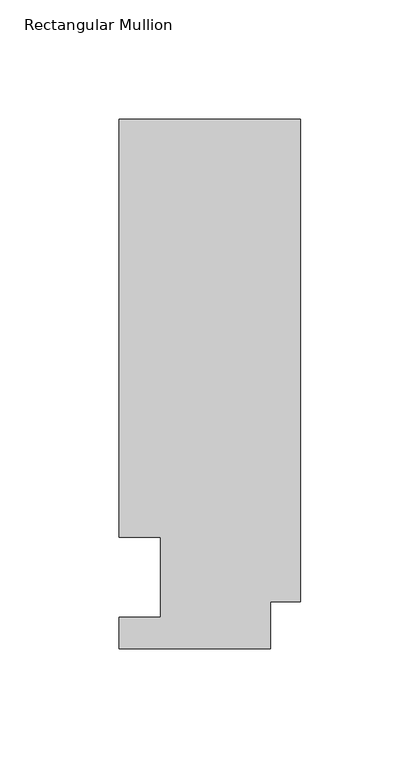
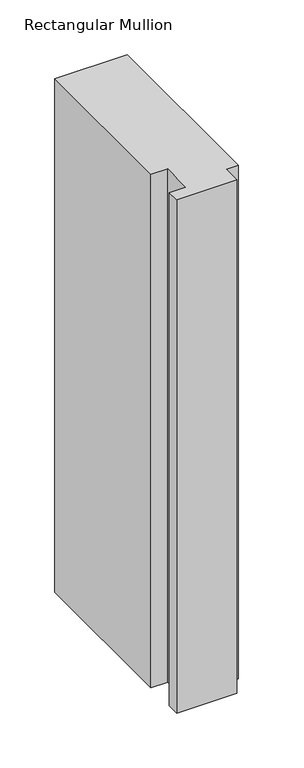
"""IFC4 building model written with IfcOpenShell, lengths in millimetres: member geometry, Rectangular Mullion."""

import ifcopenshell
import ifcopenshell.guid

model = None  # the IFC model being written
_history = None  # IfcOwnerHistory: only IFC2X3 demands one
_inside = {}  # id of a spatial element -> (the spatial element, [elements in it])
_under = {}  # id of a project, library or spatial element -> (it, [spatial elements below it])
_declared = {}  # id of a project -> (the project, [libraries it declares])
_typed = {}  # id of a type object -> (the type object, [elements of that type])
_made_of = {}  # id of a material, layer set ... -> (it, [elements and type objects made of it])


def new_model(schema):
    """Start an empty IFC model of exactly this schema.

    Asked for "IFC4X3", IfcOpenShell would pick the latest addendum, in which some entities
    have other attributes; the version numbers below select the first issue.
    IFC2X3 requires an IfcOwnerHistory on every rooted entity: one is made here for all.
    """
    global model, _history
    if schema == "IFC4X3":
        model = ifcopenshell.file(schema_version=(4, 3, 0, 0))
    else:
        model = ifcopenshell.file(schema=schema)
    _inside.clear()
    _under.clear()
    _declared.clear()
    _typed.clear()
    _made_of.clear()
    _history = None
    if model.schema == "IFC2X3":
        org = make("IfcOrganization", Name="unknown")
        user = make(
            "IfcPersonAndOrganization",
            ThePerson=make("IfcPerson", FamilyName="unknown"),
            TheOrganization=org,
        )
        app = make(
            "IfcApplication",
            ApplicationDeveloper=org,
            Version="unknown",
            ApplicationFullName="unknown",
            ApplicationIdentifier="unknown",
        )
        _history = make(
            "IfcOwnerHistory",
            OwningUser=user,
            OwningApplication=app,
            ChangeAction="ADDED",
            CreationDate=0,
        )
    return model


def make(cls, **values):
    """One entity of the class cls with the attributes given. An attribute that is None is left unset."""
    return model.create_entity(
        cls, **{name: value for name, value in values.items() if value is not None}
    )


def rooted(cls, **values):
    """An entity with a GlobalId (a new one), such as an element, a storey or a relation."""
    return make(cls, GlobalId=ifcopenshell.guid.new(), OwnerHistory=_history, **values)


def si_unit(unit_type, name, prefix=None):
    """IfcSIUnit, for example si_unit("LENGTHUNIT", "METRE", prefix="MILLI")."""
    return make("IfcSIUnit", UnitType=unit_type, Prefix=prefix, Name=name)


def assignment(units):
    """IfcUnitAssignment: the units of a project."""
    return None if units is None else make("IfcUnitAssignment", Units=units)


def point(xyz):
    """IfcCartesianPoint."""
    return None if xyz is None else make("IfcCartesianPoint", Coordinates=xyz)


def direction(xyz):
    """IfcDirection."""
    return None if xyz is None else make("IfcDirection", DirectionRatios=xyz)


def frame(location, z_axis=None, x_axis=None):
    """IfcAxis2Placement3D, a coordinate frame: its origin and axes. An axis left out is left unset."""
    return make(
        "IfcAxis2Placement3D",
        Location=point(location),
        Axis=direction(z_axis),
        RefDirection=direction(x_axis),
    )


def origin():
    """The frame at (0, 0, 0) with its axes left unset."""
    return frame((0.0, 0.0, 0.0))


def place(relative_to, where):
    """IfcLocalPlacement: puts the frame where relative to a parent placement (None: the world)."""
    return make(
        "IfcLocalPlacement", PlacementRelTo=relative_to, RelativePlacement=where
    )


def context(
    kind, dimensions, precision=None, world=None, true_north=None, identifier=None
):
    """IfcGeometricRepresentationContext, for example the 3D "Model" context."""
    return make(
        "IfcGeometricRepresentationContext",
        ContextIdentifier=identifier,
        ContextType=kind,
        CoordinateSpaceDimension=dimensions,
        Precision=precision,
        WorldCoordinateSystem=world,
        TrueNorth=true_north,
    )


def project(units=None, contexts=None):
    """IfcProject with its units and contexts."""
    return rooted(
        "IfcProject",
        Name="project",
        RepresentationContexts=contexts,
        UnitsInContext=assignment(units),
    )


def spatial(cls, under=None, at=None, **own):
    """A site, building, storey or space (cls), placed at a placement, below another one or the project."""
    s = rooted(cls, ObjectPlacement=at, **own)
    if under is not None:
        _under.setdefault(under.id(), (under, []))[1].append(s)
    return s


def polyline(points):
    """IfcPolyline through the points."""
    return make("IfcPolyline", Points=[point(p) for p in points])


def outline(outer, holes=None, kind="AREA"):
    """IfcArbitraryClosedProfileDef: a profile drawn as a closed curve; with holes, ...WithVoids."""
    if holes is None:
        return make("IfcArbitraryClosedProfileDef", ProfileType=kind, OuterCurve=outer)
    return make(
        "IfcArbitraryProfileDefWithVoids",
        ProfileType=kind,
        OuterCurve=outer,
        InnerCurves=holes,
    )


def extrude(swept, where, along, depth):
    """IfcExtrudedAreaSolid: the profile swept, set in the frame where, extruded along a direction by depth."""
    return make(
        "IfcExtrudedAreaSolid",
        SweptArea=swept,
        Position=where,
        ExtrudedDirection=direction(along),
        Depth=depth,
    )


def shape(context_of_items, identifier, shape_type, items):
    """IfcShapeRepresentation: the items that make up one representation, for example the "Body"."""
    return make(
        "IfcShapeRepresentation",
        ContextOfItems=context_of_items,
        RepresentationIdentifier=identifier,
        RepresentationType=shape_type,
        Items=items,
    )


def source(mapping_origin, context_of_items, identifier, shape_type, items):
    """IfcRepresentationMap: a shape defined once, which mapped items show again and again."""
    return make(
        "IfcRepresentationMap",
        MappingOrigin=mapping_origin,
        MappedRepresentation=shape(context_of_items, identifier, shape_type, items),
    )


def transform(
    local_origin,
    x_axis=None,
    y_axis=None,
    z_axis=None,
    scale=None,
    scale2=None,
    scale3=None,
    uniform=True,
):
    """IfcCartesianTransformationOperator3D, or its non-uniform kind. x_axis, y_axis, z_axis: its Axis1, 2, 3."""
    if uniform:
        return make(
            "IfcCartesianTransformationOperator3D",
            Axis1=direction(x_axis),
            Axis2=direction(y_axis),
            LocalOrigin=point(local_origin),
            Scale=scale,
            Axis3=direction(z_axis),
        )
    return make(
        "IfcCartesianTransformationOperator3DnonUniform",
        Axis1=direction(x_axis),
        Axis2=direction(y_axis),
        LocalOrigin=point(local_origin),
        Scale=scale,
        Axis3=direction(z_axis),
        Scale2=scale2,
        Scale3=scale3,
    )


def mapped(mapping_source, mapping_target):
    """IfcMappedItem: shows the shape of a source again, moved by a transform."""
    return make(
        "IfcMappedItem", MappingSource=mapping_source, MappingTarget=mapping_target
    )


def made_of(thing, what):
    """Note that an element or type object is made of a material, layer set ...; save() writes the relation."""
    if what is not None:
        _made_of.setdefault(what.id(), (what, []))[1].append(thing)
    return thing


def element(
    cls,
    number,
    at=None,
    inside=None,
    cuts=None,
    type_object=None,
    material=None,
    context=None,
    identifier="Body",
    shape_type=None,
    held_by="IfcProductDefinitionShape",
    body=None,
    shapes=None,
    **own,
):
    """One element of the class cls, such as IfcWall. Its Tag is "e" and its number.

    at: its placement. inside: the storey or other place that contains it. cuts: it is an
    opening in that element (IfcRelVoidsElement). A single representation is given by context,
    identifier, shape_type and body (its items); several are given by shapes. held_by: the class
    of the entity that holds the representations. save() writes the other relations.
    """
    e = rooted(cls, Tag="e%d" % number, ObjectPlacement=at, **own)
    if body is not None:
        shapes = [shape(context, identifier, shape_type, body)]
    if shapes is not None:
        e.Representation = make(held_by, Representations=shapes)
    if inside is not None:
        _inside.setdefault(inside.id(), (inside, []))[1].append(e)
    if cuts is not None:
        rooted(
            "IfcRelVoidsElement", RelatingBuildingElement=cuts, RelatedOpeningElement=e
        )
    if type_object is not None:
        _typed.setdefault(type_object.id(), (type_object, []))[1].append(e)
    return made_of(e, material)


def aggregate(whole, parts):
    """IfcRelAggregates: a whole, such as a stair, and the parts it consists of."""
    return rooted("IfcRelAggregates", RelatingObject=whole, RelatedObjects=parts)


def save(model, path):
    """Write the relations noted so far, then the file.

    IfcRelAggregates (storeys below a building ...), IfcRelContainedInSpatialStructure (elements
    in a storey), IfcRelDefinesByType, IfcRelAssociatesMaterial and IfcRelDeclares: one each for
    every whole, place, type object, material and project.
    """
    for whole, parts in _under.values():
        aggregate(whole, parts)
    for where, things in _inside.values():
        rooted(
            "IfcRelContainedInSpatialStructure",
            RelatedElements=things,
            RelatingStructure=where,
        )
    for kind, things in _typed.values():
        rooted("IfcRelDefinesByType", RelatedObjects=things, RelatingType=kind)
    for what, things in _made_of.values():
        rooted("IfcRelAssociatesMaterial", RelatedObjects=things, RelatingMaterial=what)
    for by, libraries in _declared.values():
        rooted("IfcRelDeclares", RelatingContext=by, RelatedDefinitions=libraries)
    model.write(path)


def rectangular_mullion_7e260867(model_context):
    return source(origin(), model_context, "Body", "SweptSolid", [
        extrude(outline(polyline([(-76.2000001, 222.0301312), (0.0, 222.0301312), (0.0, 19.574358), (-12.7, 19.574358), (-12.7, 0.041758), (-76.2, 0.041758), (-76.2, 13.224358), (-58.7676635, 13.224358), (-58.7676635, 46.7447302), (-76.2000001, 46.7447302), (-76.2000001, 222.0301312)])), frame((0.0, 0.0, -571.3114229), z_axis=(0.0, 0.0, 1.0), x_axis=(1.0, 0.0, 0.0)), (0.0, 0.0, 1.0), 571.3114229),
    ])


if __name__ == "__main__":
    model = new_model("IFC4")
    model_context = context("Model", 3, world=origin())
    ifc_project = project(units=[si_unit("LENGTHUNIT", "METRE", prefix="MILLI")], contexts=[model_context])
    site = spatial("IfcSite", under=ifc_project)
    building = spatial("IfcBuilding", under=site)
    placement = place(None, origin())
    rectangular_mullion_shape = rectangular_mullion_7e260867(model_context)
    element("IfcMember", 1, ObjectType="Rectangular Mullion", at=placement, inside=building, context=model_context, shape_type="MappedRepresentation", body=[
        mapped(rectangular_mullion_shape, transform((0.0, 0.0, 0.0), x_axis=(1.0, 0.0, 0.0), y_axis=(0.0, 1.0, 0.0), z_axis=(0.0, 0.0, 1.0))),
    ])
    save(model, "model.ifc")
